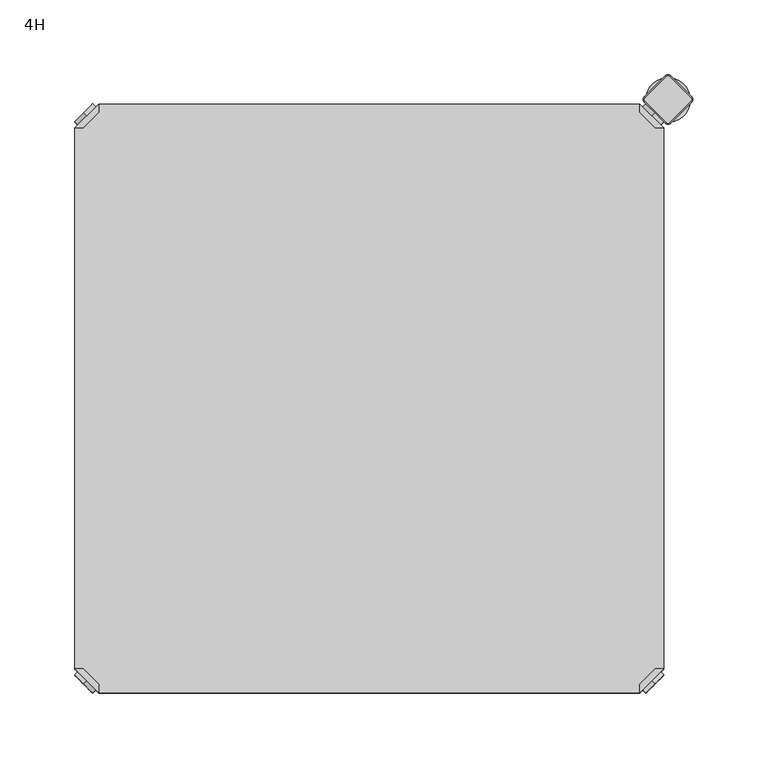
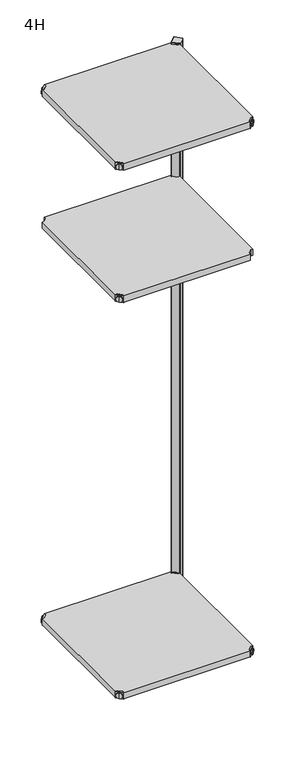
"""IFC4 building model written with IfcOpenShell, lengths in millimetres: furniture geometry, 4H."""

from ifc_helpers import new_model, si_unit, point, frame, frame_2d, origin, place, context, project, spatial, polyline, circle_curve, trimmed, segment, composite_curve, outline, extrude, source, transform, mapped, element, save
from ifc_brep_helpers import plane_surface, cylinder_surface, revolved_surface, advanced_brep


def furniture_4h_f2351c43(model_context):
    return source(origin(), model_context, "Body", "SolidModel", [
        advanced_brep(
        [(10.9601551, 10.9601551, 1298.5), (10.9601551, 10.9601551, 1307.0), (10.9601551, 10.9601551, 1315.5), (8.8388348, 8.8388348, 1298.5), (8.8388348, 8.8388348, 1315.5), (8.8388348, 8.8388348, 1307.0)],
        [
            (0, 1),
            (1, 2),
            (2, 0, circle_curve(frame((10.9601551, 10.9601551, 1307.0), z_axis=(0.7071067811865464, 0.7071067811865487, 0.0), x_axis=(0.0, 0.0, 1.0)), 8.5)),
            (0, 2, circle_curve(frame((10.9601551, 10.9601551, 1307.0), z_axis=(0.7071067811865464, 0.7071067811865487, 0.0), x_axis=(0.0, 0.0, 1.0)), 8.5)),
            (3, 0),
            (2, 4),
            (4, 3, circle_curve(frame((8.8388348, 8.8388348, 1307.0), z_axis=(0.7071067811865464, 0.7071067811865487, 0.0), x_axis=(0.0, 0.0, 1.0)), 8.5)),
            (3, 4, circle_curve(frame((8.8388348, 8.8388348, 1307.0), z_axis=(0.7071067811865464, 0.7071067811865487, 0.0), x_axis=(0.0, 0.0, 1.0)), 8.5)),
            (5, 3),
            (4, 5),
        ],
        [
            plane_surface(frame((10.9601551, 10.9601551, 1307.0), z_axis=(0.707106781186546, 0.7071067811865491, 0.0), x_axis=(0.0, 0.0, 1.0))),
            cylinder_surface(frame((8.8388348, 8.8388348, 1307.0), z_axis=(-0.7071067811865464, -0.7071067811865487, 0.0), x_axis=(0.0, 0.0, 1.0)), 8.5),
            plane_surface(frame((8.8388348, 8.8388348, 1307.0), z_axis=(-0.707106781186546, -0.7071067811865491, 0.0), x_axis=(0.0, 0.0, 1.0))),
        ],
        [
            (0, [[1, 2, 3]]),
            (0, [[-2, -1, 4]]),
            (1, [[5, -3, 6, 7]]),
            (1, [[-6, -4, -5, 8]]),
            (2, [[9, -7, 10]]),
            (2, [[-10, -8, -9]]),
        ],
    ),
        advanced_brep(
        [(18.9203102, 3.0, 1317.0), (18.9203102, 8.6568542, 1317.0), (8.6568542, 18.9203102, 1317.0), (3.0, 18.9203102, 1317.0), (3.0, 18.9203102, 1298.0), (3.0, 18.9203102, 1297.0), (18.9203102, 3.0, 1297.0), (18.9203102, 3.0, 1298.0), (18.9203102, 8.6568542, 1298.0), (8.6568542, 18.9203102, 1298.0), (47.7297077, 31.8093975, 1298.0), (31.8093975, 47.7297077, 1298.0), (31.8093975, 47.7297077, 1297.0), (47.7297077, 31.8093975, 1297.0)],
        [
            (0, 1),
            (1, 2),
            (2, 3),
            (3, 0),
            (3, 4),
            (4, 5),
            (5, 6),
            (6, 7),
            (7, 0),
            (1, 8),
            (8, 9),
            (9, 2),
            (7, 8),
            (9, 4),
            (7, 10),
            (10, 11, circle_curve(frame((39.7695526, 39.7695526, 1298.0), z_axis=(0.0, 0.0, 1.0), x_axis=(1.0, 0.0, 0.0)), 11.2573593)),
            (11, 4),
            (5, 12),
            (12, 13, circle_curve(frame((39.7695526, 39.7695526, 1297.0), z_axis=(0.0, 0.0, -1.0), x_axis=(1.0, 0.0, 0.0)), 11.2573593)),
            (13, 6),
            (11, 12),
            (10, 13),
        ],
        [
            plane_surface(frame((-38.8756299, 60.7959401, 1317.0), z_axis=(0.0, 0.0, 1.0000000000000002), x_axis=(-0.7071067811865557, 0.7071067811865395, 0.0))),
            plane_surface(frame((18.9203102, 3.0, 1317.0), z_axis=(-0.7071067811865395, -0.7071067811865557, 0.0), x_axis=(0.0, 0.0, -1.0))),
            plane_surface(frame((8.6568542, 18.9203102, 1317.0), z_axis=(0.7071067811865481, 0.7071067811865469, 0.0), x_axis=(0.0, 0.0, -1.0))),
            plane_surface(frame((18.9203102, 8.6568542, 1317.0), z_axis=(1.0, 0.0, 0.0), x_axis=(0.0, 0.0, -1.0))),
            plane_surface(frame((3.0, 18.9203102, 1317.0), z_axis=(0.0, 1.0, 0.0), x_axis=(0.0, 0.0, -1.0))),
            plane_surface(frame((3.0, 18.9203102, 1298.0), z_axis=(0.0, 0.0, 1.0), x_axis=(-0.7071067811865485, 0.7071067811865466, 0.0))),
            plane_surface(frame((3.0, 18.9203102, 1297.0), z_axis=(0.0, 0.0, -1.0), x_axis=(0.7071067811865485, -0.7071067811865466, 0.0))),
            plane_surface(frame((3.0, 18.9203102, 1298.0), z_axis=(-0.7071067811865491, 0.707106781186546, 0.0), x_axis=(0.0, 0.0, -1.0))),
            cylinder_surface(frame((39.7695526, 39.7695526, 1297.0), z_axis=(0.0, 0.0, 1.0), x_axis=(1.0, 0.0, 0.0)), 11.2573593),
            plane_surface(frame((47.7297077, 31.8093975, 1298.0), z_axis=(0.707106781186548, -0.7071067811865471, 0.0), x_axis=(0.0, 0.0, -1.0))),
        ],
        [
            (0, [[1, 2, 3, 4]]),
            (1, [[5, 6, 7, 8, 9, -4]]),
            (2, [[10, 11, 12, -2]]),
            (3, [[-9, 13, -10, -1]]),
            (4, [[-12, 14, -5, -3]]),
            (5, [[-14, -11, -13, 15, 16, 17]]),
            (6, [[-7, 18, 19, 20]]),
            (7, [[21, -18, -6, -17]]),
            (8, [[22, -19, -21, -16]]),
            (9, [[-8, -20, -22, -15]]),
        ],
    ),
        extrude(outline(polyline([(381.0796898, 3.0), (18.9203102, 3.0), (18.9203102, 8.6568542), (8.6568542, 18.9203102), (3.0, 18.9203102), (3.0, 381.0796898), (8.6568542, 381.0796898), (18.9203102, 391.3431458), (18.9203102, 397.0), (381.0796898, 397.0), (381.0796898, 391.3431458), (391.3431458, 381.0796898), (397.0, 381.0796898), (397.0, 18.9203102), (391.3431458, 18.9203102), (381.0796898, 8.6568542), (381.0796898, 3.0)])), frame((0.0, 0.0, 1298.0), z_axis=(0.0, 0.0, 1.0), x_axis=(1.0, 0.0, 0.0)), (0.0, 0.0, 1.0), 19.0),
        advanced_brep(
        [(389.0398449, 10.9601551, 1698.5), (389.0398449, 10.9601551, 1715.5), (389.0398449, 10.9601551, 1707.0), (391.1611652, 8.8388348, 1698.5), (391.1611652, 8.8388348, 1715.5), (391.1611652, 8.8388348, 1707.0)],
        [
            (0, 1, circle_curve(frame((389.0398449, 10.9601551, 1707.0), z_axis=(-0.7071067811865556, 0.7071067811865395, 0.0), x_axis=(0.0, 0.0, 1.0)), 8.5)),
            (1, 2),
            (2, 0),
            (1, 0, circle_curve(frame((389.0398449, 10.9601551, 1707.0), z_axis=(-0.7071067811865556, 0.7071067811865395, 0.0), x_axis=(0.0, 0.0, 1.0)), 8.5)),
            (3, 4, circle_curve(frame((391.1611652, 8.8388348, 1707.0), z_axis=(-0.7071067811865556, 0.7071067811865395, 0.0), x_axis=(0.0, 0.0, 1.0)), 8.5)),
            (4, 1),
            (0, 3),
            (4, 3, circle_curve(frame((391.1611652, 8.8388348, 1707.0), z_axis=(-0.7071067811865556, 0.7071067811865395, 0.0), x_axis=(0.0, 0.0, 1.0)), 8.5)),
            (5, 4),
            (3, 5),
        ],
        [
            plane_surface(frame((389.0398449, 10.9601551, 1707.0), z_axis=(-0.7071067811865552, 0.7071067811865399, 0.0), x_axis=(0.0, 0.0, 1.0))),
            cylinder_surface(frame((391.1611652, 8.8388348, 1707.0), z_axis=(0.7071067811865556, -0.7071067811865395, 0.0), x_axis=(0.0, 0.0, 1.0)), 8.5),
            plane_surface(frame((391.1611652, 8.8388348, 1707.0), z_axis=(0.7071067811865552, -0.7071067811865399, 0.0), x_axis=(0.0, 0.0, 1.0))),
        ],
        [
            (0, [[1, 2, 3]]),
            (0, [[4, -3, -2]]),
            (1, [[5, 6, -1, 7]]),
            (1, [[8, -7, -4, -6]]),
            (2, [[9, -5, 10]]),
            (2, [[-10, -8, -9]]),
        ],
    ),
        advanced_brep(
        [(381.0796898, 3.0, 1717.0), (397.0, 18.9203102, 1717.0), (391.3431458, 18.9203102, 1717.0), (381.0796898, 8.6568542, 1717.0), (381.0796898, 3.0, 1698.0), (381.0796898, 3.0, 1697.0), (397.0, 18.9203102, 1697.0), (397.0, 18.9203102, 1698.0), (391.3431458, 18.9203102, 1698.0), (381.0796898, 8.6568542, 1698.0), (368.1906025, 47.7297077, 1698.0), (352.2702923, 31.8093975, 1698.0), (352.2702923, 31.8093975, 1697.0), (368.1906025, 47.7297077, 1697.0)],
        [
            (0, 1),
            (1, 2),
            (2, 3),
            (3, 0),
            (0, 4),
            (4, 5),
            (5, 6),
            (6, 7),
            (7, 1),
            (2, 8),
            (8, 9),
            (9, 3),
            (9, 4),
            (7, 8),
            (7, 10),
            (10, 11, circle_curve(frame((360.2304474, 39.7695526, 1698.0), z_axis=(0.0, 0.0, 1.0), x_axis=(-1.0, 0.0, 0.0)), 11.2573593)),
            (11, 4),
            (5, 12),
            (12, 13, circle_curve(frame((360.2304474, 39.7695526, 1697.0), z_axis=(0.0, 0.0, -1.0), x_axis=(-1.0, 0.0, 0.0)), 11.2573593)),
            (13, 6),
            (13, 10),
            (12, 11),
        ],
        [
            plane_surface(frame((438.8756299, 60.7959401, 1717.0), z_axis=(0.0, 0.0, 1.0000000000000002), x_axis=(0.7071067811865465, 0.7071067811865487, 0.0))),
            plane_surface(frame((381.0796898, 3.0, 1717.0), z_axis=(0.7071067811865487, -0.7071067811865465, 0.0), x_axis=(0.0, 0.0, -1.0))),
            plane_surface(frame((391.3431458, 18.9203102, 1717.0), z_axis=(-0.7071067811865573, 0.7071067811865377, 0.0), x_axis=(0.0, 0.0, -1.0))),
            plane_surface(frame((381.0796898, 8.6568542, 1717.0), z_axis=(-1.0, 0.0, 0.0), x_axis=(0.0, 0.0, -1.0))),
            plane_surface(frame((397.0, 18.9203102, 1717.0), z_axis=(0.0, 1.0, 0.0), x_axis=(0.0, 0.0, -1.0))),
            plane_surface(frame((397.0, 18.9203102, 1698.0), z_axis=(0.0, 0.0, 1.0), x_axis=(0.7071067811865392, 0.7071067811865558, 0.0))),
            plane_surface(frame((397.0, 18.9203102, 1697.0), z_axis=(0.0, 0.0, -1.0), x_axis=(-0.7071067811865392, -0.7071067811865558, 0.0))),
            plane_surface(frame((397.0, 18.9203102, 1698.0), z_axis=(0.7071067811865399, 0.7071067811865552, 0.0), x_axis=(0.0, 0.0, -1.0))),
            cylinder_surface(frame((360.2304474, 39.7695526, 1697.0), z_axis=(0.0, 0.0, 1.0), x_axis=(-1.0, 0.0, 0.0)), 11.2573593),
            plane_surface(frame((352.2702923, 31.8093975, 1698.0), z_axis=(-0.7071067811865388, -0.7071067811865563, 0.0), x_axis=(0.0, 0.0, -1.0))),
        ],
        [
            (0, [[1, 2, 3, 4]]),
            (1, [[-1, 5, 6, 7, 8, 9]]),
            (2, [[-3, 10, 11, 12]]),
            (3, [[-4, -12, 13, -5]]),
            (4, [[-2, -9, 14, -10]]),
            (5, [[15, 16, 17, -13, -11, -14]]),
            (6, [[18, 19, 20, -7]]),
            (7, [[-15, -8, -20, 21]]),
            (8, [[-16, -21, -19, 22]]),
            (9, [[-17, -22, -18, -6]]),
        ],
    ),
        advanced_brep(
        [(389.0398449, 389.0398449, 1698.5), (389.0398449, 389.0398449, 1707.0), (389.0398449, 389.0398449, 1715.5), (391.1611652, 391.1611652, 1698.5), (391.1611652, 391.1611652, 1715.5), (391.1611652, 391.1611652, 1707.0)],
        [
            (0, 1),
            (1, 2),
            (2, 0, circle_curve(frame((389.0398449, 389.0398449, 1707.0), z_axis=(-0.7071067811865509, -0.7071067811865441, 0.0), x_axis=(0.0, 0.0, 1.0)), 8.5)),
            (0, 2, circle_curve(frame((389.0398449, 389.0398449, 1707.0), z_axis=(-0.7071067811865509, -0.7071067811865441, 0.0), x_axis=(0.0, 0.0, 1.0)), 8.5)),
            (3, 0),
            (2, 4),
            (4, 3, circle_curve(frame((391.1611652, 391.1611652, 1707.0), z_axis=(-0.7071067811865509, -0.7071067811865441, 0.0), x_axis=(0.0, 0.0, 1.0)), 8.5)),
            (3, 4, circle_curve(frame((391.1611652, 391.1611652, 1707.0), z_axis=(-0.7071067811865509, -0.7071067811865441, 0.0), x_axis=(0.0, 0.0, 1.0)), 8.5)),
            (5, 3),
            (4, 5),
        ],
        [
            plane_surface(frame((389.0398449, 389.0398449, 1707.0), z_axis=(-0.7071067811865506, -0.7071067811865446, 0.0), x_axis=(0.0, 0.0, 1.0))),
            cylinder_surface(frame((391.1611652, 391.1611652, 1707.0), z_axis=(0.7071067811865509, 0.7071067811865441, 0.0), x_axis=(0.0, 0.0, 1.0)), 8.5),
            plane_surface(frame((391.1611652, 391.1611652, 1707.0), z_axis=(0.7071067811865506, 0.7071067811865446, 0.0), x_axis=(0.0, 0.0, 1.0))),
        ],
        [
            (0, [[1, 2, 3]]),
            (0, [[-2, -1, 4]]),
            (1, [[5, -3, 6, 7]]),
            (1, [[-6, -4, -5, 8]]),
            (2, [[9, -7, 10]]),
            (2, [[-10, -8, -9]]),
        ],
    ),
        advanced_brep(
        [(381.0796898, 397.0, 1717.0), (381.0796898, 391.3431458, 1717.0), (391.3431458, 381.0796898, 1717.0), (397.0, 381.0796898, 1717.0), (397.0, 381.0796898, 1698.0), (397.0, 381.0796898, 1697.0), (381.0796898, 397.0, 1697.0), (381.0796898, 397.0, 1698.0), (381.0796898, 391.3431458, 1698.0), (391.3431458, 381.0796898, 1698.0), (352.2702923, 368.1906025, 1698.0), (368.1906025, 352.2702923, 1698.0), (368.1906025, 352.2702923, 1697.0), (352.2702923, 368.1906025, 1697.0)],
        [
            (0, 1),
            (1, 2),
            (2, 3),
            (3, 0),
            (3, 4),
            (4, 5),
            (5, 6),
            (6, 7),
            (7, 0),
            (1, 8),
            (8, 9),
            (9, 2),
            (7, 8),
            (9, 4),
            (7, 10),
            (10, 11, circle_curve(frame((360.2304474, 360.2304474, 1698.0), z_axis=(0.0, 0.0, 1.0), x_axis=(-1.0, 0.0, 0.0)), 11.2573593)),
            (11, 4),
            (5, 12),
            (12, 13, circle_curve(frame((360.2304474, 360.2304474, 1697.0), z_axis=(0.0, 0.0, -1.0), x_axis=(-1.0, 0.0, 0.0)), 11.2573593)),
            (13, 6),
            (11, 12),
            (10, 13),
        ],
        [
            plane_surface(frame((438.8756299, 339.2040599, 1717.0), z_axis=(0.0, 0.0, 1.0000000000000002), x_axis=(0.7071067811865511, -0.707106781186544, 0.0))),
            plane_surface(frame((381.0796898, 397.0, 1717.0), z_axis=(0.707106781186544, 0.7071067811865511, 0.0), x_axis=(0.0, 0.0, -1.0))),
            plane_surface(frame((391.3431458, 381.0796898, 1717.0), z_axis=(-0.7071067811865527, -0.7071067811865424, 0.0), x_axis=(0.0, 0.0, -1.0))),
            plane_surface(frame((381.0796898, 391.3431458, 1717.0), z_axis=(-1.0, 0.0, 0.0), x_axis=(0.0, 0.0, -1.0))),
            plane_surface(frame((397.0, 381.0796898, 1717.0), z_axis=(0.0, -1.0, 0.0), x_axis=(0.0, 0.0, -1.0))),
            plane_surface(frame((397.0, 381.0796898, 1698.0), z_axis=(0.0, 0.0, 1.0), x_axis=(0.7071067811865439, -0.7071067811865511, 0.0))),
            plane_surface(frame((397.0, 381.0796898, 1697.0), z_axis=(0.0, 0.0, -1.0), x_axis=(-0.7071067811865439, 0.7071067811865511, 0.0))),
            plane_surface(frame((397.0, 381.0796898, 1698.0), z_axis=(0.7071067811865446, -0.7071067811865506, 0.0), x_axis=(0.0, 0.0, -1.0))),
            cylinder_surface(frame((360.2304474, 360.2304474, 1697.0), z_axis=(0.0, 0.0, 1.0), x_axis=(-1.0, 0.0, 0.0)), 11.2573593),
            plane_surface(frame((352.2702923, 368.1906025, 1698.0), z_axis=(-0.7071067811865435, 0.7071067811865517, 0.0), x_axis=(0.0, 0.0, -1.0))),
        ],
        [
            (0, [[1, 2, 3, 4]]),
            (1, [[5, 6, 7, 8, 9, -4]]),
            (2, [[10, 11, 12, -2]]),
            (3, [[-9, 13, -10, -1]]),
            (4, [[-12, 14, -5, -3]]),
            (5, [[-14, -11, -13, 15, 16, 17]]),
            (6, [[-7, 18, 19, 20]]),
            (7, [[21, -18, -6, -17]]),
            (8, [[22, -19, -21, -16]]),
            (9, [[-8, -20, -22, -15]]),
        ],
    ),
        advanced_brep(
        [(10.9601551, 389.0398449, 1698.5), (10.9601551, 389.0398449, 1715.5), (10.9601551, 389.0398449, 1707.0), (8.8388348, 391.1611652, 1698.5), (8.8388348, 391.1611652, 1715.5), (8.8388348, 391.1611652, 1707.0)],
        [
            (0, 1, circle_curve(frame((10.9601551, 389.0398449, 1707.0), z_axis=(0.7071067811865509, -0.7071067811865441, 0.0), x_axis=(0.0, 0.0, 1.0)), 8.5)),
            (1, 2),
            (2, 0),
            (1, 0, circle_curve(frame((10.9601551, 389.0398449, 1707.0), z_axis=(0.7071067811865509, -0.7071067811865441, 0.0), x_axis=(0.0, 0.0, 1.0)), 8.5)),
            (3, 4, circle_curve(frame((8.8388348, 391.1611652, 1707.0), z_axis=(0.7071067811865509, -0.7071067811865441, 0.0), x_axis=(0.0, 0.0, 1.0)), 8.5)),
            (4, 1),
            (0, 3),
            (4, 3, circle_curve(frame((8.8388348, 391.1611652, 1707.0), z_axis=(0.7071067811865509, -0.7071067811865441, 0.0), x_axis=(0.0, 0.0, 1.0)), 8.5)),
            (5, 4),
            (3, 5),
        ],
        [
            plane_surface(frame((10.9601551, 389.0398449, 1707.0), z_axis=(0.7071067811865506, -0.7071067811865446, 0.0), x_axis=(0.0, 0.0, 1.0))),
            cylinder_surface(frame((8.8388348, 391.1611652, 1707.0), z_axis=(-0.7071067811865509, 0.7071067811865441, 0.0), x_axis=(0.0, 0.0, 1.0)), 8.5),
            plane_surface(frame((8.8388348, 391.1611652, 1707.0), z_axis=(-0.7071067811865506, 0.7071067811865446, 0.0), x_axis=(0.0, 0.0, 1.0))),
        ],
        [
            (0, [[1, 2, 3]]),
            (0, [[4, -3, -2]]),
            (1, [[5, 6, -1, 7]]),
            (1, [[8, -7, -4, -6]]),
            (2, [[9, -5, 10]]),
            (2, [[-10, -8, -9]]),
        ],
    ),
        advanced_brep(
        [(18.9203102, 397.0, 1717.0), (3.0, 381.0796898, 1717.0), (8.6568542, 381.0796898, 1717.0), (18.9203102, 391.3431458, 1717.0), (18.9203102, 397.0, 1698.0), (18.9203102, 397.0, 1697.0), (3.0, 381.0796898, 1697.0), (3.0, 381.0796898, 1698.0), (8.6568542, 381.0796898, 1698.0), (18.9203102, 391.3431458, 1698.0), (31.8093975, 352.2702923, 1698.0), (47.7297077, 368.1906025, 1698.0), (47.7297077, 368.1906025, 1697.0), (31.8093975, 352.2702923, 1697.0)],
        [
            (0, 1),
            (1, 2),
            (2, 3),
            (3, 0),
            (0, 4),
            (4, 5),
            (5, 6),
            (6, 7),
            (7, 1),
            (2, 8),
            (8, 9),
            (9, 3),
            (9, 4),
            (7, 8),
            (7, 10),
            (10, 11, circle_curve(frame((39.7695526, 360.2304474, 1698.0), z_axis=(0.0, 0.0, 1.0), x_axis=(1.0, 0.0, 0.0)), 11.2573593)),
            (11, 4),
            (5, 12),
            (12, 13, circle_curve(frame((39.7695526, 360.2304474, 1697.0), z_axis=(0.0, 0.0, -1.0), x_axis=(1.0, 0.0, 0.0)), 11.2573593)),
            (13, 6),
            (13, 10),
            (12, 11),
        ],
        [
            plane_surface(frame((-38.8756299, 339.2040599, 1717.0), z_axis=(0.0, 0.0, 1.0000000000000002), x_axis=(-0.7071067811865511, -0.707106781186544, 0.0))),
            plane_surface(frame((18.9203102, 397.0, 1717.0), z_axis=(-0.707106781186544, 0.7071067811865511, 0.0), x_axis=(0.0, 0.0, -1.0))),
            plane_surface(frame((8.6568542, 381.0796898, 1717.0), z_axis=(0.7071067811865527, -0.7071067811865424, 0.0), x_axis=(0.0, 0.0, -1.0))),
            plane_surface(frame((18.9203102, 391.3431458, 1717.0), z_axis=(1.0, 0.0, 0.0), x_axis=(0.0, 0.0, -1.0))),
            plane_surface(frame((3.0, 381.0796898, 1717.0), z_axis=(0.0, -1.0, 0.0), x_axis=(0.0, 0.0, -1.0))),
            plane_surface(frame((3.0, 381.0796898, 1698.0), z_axis=(0.0, 0.0, 1.0), x_axis=(-0.7071067811865439, -0.7071067811865511, 0.0))),
            plane_surface(frame((3.0, 381.0796898, 1697.0), z_axis=(0.0, 0.0, -1.0), x_axis=(0.7071067811865439, 0.7071067811865511, 0.0))),
            plane_surface(frame((3.0, 381.0796898, 1698.0), z_axis=(-0.7071067811865446, -0.7071067811865506, 0.0), x_axis=(0.0, 0.0, -1.0))),
            cylinder_surface(frame((39.7695526, 360.2304474, 1697.0), z_axis=(0.0, 0.0, 1.0), x_axis=(1.0, 0.0, 0.0)), 11.2573593),
            plane_surface(frame((47.7297077, 368.1906025, 1698.0), z_axis=(0.7071067811865435, 0.7071067811865517, 0.0), x_axis=(0.0, 0.0, -1.0))),
        ],
        [
            (0, [[1, 2, 3, 4]]),
            (1, [[-1, 5, 6, 7, 8, 9]]),
            (2, [[-3, 10, 11, 12]]),
            (3, [[-4, -12, 13, -5]]),
            (4, [[-2, -9, 14, -10]]),
            (5, [[15, 16, 17, -13, -11, -14]]),
            (6, [[18, 19, 20, -7]]),
            (7, [[-15, -8, -20, 21]]),
            (8, [[-16, -21, -19, 22]]),
            (9, [[-17, -22, -18, -6]]),
        ],
    ),
        advanced_brep(
        [(10.9601551, 10.9601551, 1698.5), (10.9601551, 10.9601551, 1707.0), (10.9601551, 10.9601551, 1715.5), (8.8388348, 8.8388348, 1698.5), (8.8388348, 8.8388348, 1715.5), (8.8388348, 8.8388348, 1707.0)],
        [
            (0, 1),
            (1, 2),
            (2, 0, circle_curve(frame((10.9601551, 10.9601551, 1707.0), z_axis=(0.7071067811865464, 0.7071067811865487, 0.0), x_axis=(0.0, 0.0, 1.0)), 8.5)),
            (0, 2, circle_curve(frame((10.9601551, 10.9601551, 1707.0), z_axis=(0.7071067811865464, 0.7071067811865487, 0.0), x_axis=(0.0, 0.0, 1.0)), 8.5)),
            (3, 0),
            (2, 4),
            (4, 3, circle_curve(frame((8.8388348, 8.8388348, 1707.0), z_axis=(0.7071067811865464, 0.7071067811865487, 0.0), x_axis=(0.0, 0.0, 1.0)), 8.5)),
            (3, 4, circle_curve(frame((8.8388348, 8.8388348, 1707.0), z_axis=(0.7071067811865464, 0.7071067811865487, 0.0), x_axis=(0.0, 0.0, 1.0)), 8.5)),
            (5, 3),
            (4, 5),
        ],
        [
            plane_surface(frame((10.9601551, 10.9601551, 1707.0), z_axis=(0.707106781186546, 0.7071067811865491, 0.0), x_axis=(0.0, 0.0, 1.0))),
            cylinder_surface(frame((8.8388348, 8.8388348, 1707.0), z_axis=(-0.7071067811865464, -0.7071067811865487, 0.0), x_axis=(0.0, 0.0, 1.0)), 8.5),
            plane_surface(frame((8.8388348, 8.8388348, 1707.0), z_axis=(-0.707106781186546, -0.7071067811865491, 0.0), x_axis=(0.0, 0.0, 1.0))),
        ],
        [
            (0, [[1, 2, 3]]),
            (0, [[-2, -1, 4]]),
            (1, [[5, -3, 6, 7]]),
            (1, [[-6, -4, -5, 8]]),
            (2, [[9, -7, 10]]),
            (2, [[-10, -8, -9]]),
        ],
    ),
        advanced_brep(
        [(18.9203102, 3.0, 1717.0), (18.9203102, 8.6568542, 1717.0), (8.6568542, 18.9203102, 1717.0), (3.0, 18.9203102, 1717.0), (3.0, 18.9203102, 1698.0), (3.0, 18.9203102, 1697.0), (18.9203102, 3.0, 1697.0), (18.9203102, 3.0, 1698.0), (18.9203102, 8.6568542, 1698.0), (8.6568542, 18.9203102, 1698.0), (47.7297077, 31.8093975, 1698.0), (31.8093975, 47.7297077, 1698.0), (31.8093975, 47.7297077, 1697.0), (47.7297077, 31.8093975, 1697.0)],
        [
            (0, 1),
            (1, 2),
            (2, 3),
            (3, 0),
            (3, 4),
            (4, 5),
            (5, 6),
            (6, 7),
            (7, 0),
            (1, 8),
            (8, 9),
            (9, 2),
            (7, 8),
            (9, 4),
            (7, 10),
            (10, 11, circle_curve(frame((39.7695526, 39.7695526, 1698.0), z_axis=(0.0, 0.0, 1.0), x_axis=(1.0, 0.0, 0.0)), 11.2573593)),
            (11, 4),
            (5, 12),
            (12, 13, circle_curve(frame((39.7695526, 39.7695526, 1697.0), z_axis=(0.0, 0.0, -1.0), x_axis=(1.0, 0.0, 0.0)), 11.2573593)),
            (13, 6),
            (11, 12),
            (10, 13),
        ],
        [
            plane_surface(frame((-38.8756299, 60.7959401, 1717.0), z_axis=(0.0, 0.0, 1.0000000000000002), x_axis=(-0.7071067811865557, 0.7071067811865395, 0.0))),
            plane_surface(frame((18.9203102, 3.0, 1717.0), z_axis=(-0.7071067811865395, -0.7071067811865557, 0.0), x_axis=(0.0, 0.0, -1.0))),
            plane_surface(frame((8.6568542, 18.9203102, 1717.0), z_axis=(0.7071067811865481, 0.7071067811865469, 0.0), x_axis=(0.0, 0.0, -1.0))),
            plane_surface(frame((18.9203102, 8.6568542, 1717.0), z_axis=(1.0, 0.0, 0.0), x_axis=(0.0, 0.0, -1.0))),
            plane_surface(frame((3.0, 18.9203102, 1717.0), z_axis=(0.0, 1.0, 0.0), x_axis=(0.0, 0.0, -1.0))),
            plane_surface(frame((3.0, 18.9203102, 1698.0), z_axis=(0.0, 0.0, 1.0), x_axis=(-0.7071067811865485, 0.7071067811865466, 0.0))),
            plane_surface(frame((3.0, 18.9203102, 1697.0), z_axis=(0.0, 0.0, -1.0), x_axis=(0.7071067811865485, -0.7071067811865466, 0.0))),
            plane_surface(frame((3.0, 18.9203102, 1698.0), z_axis=(-0.7071067811865491, 0.707106781186546, 0.0), x_axis=(0.0, 0.0, -1.0))),
            cylinder_surface(frame((39.7695526, 39.7695526, 1697.0), z_axis=(0.0, 0.0, 1.0), x_axis=(1.0, 0.0, 0.0)), 11.2573593),
            plane_surface(frame((47.7297077, 31.8093975, 1698.0), z_axis=(0.707106781186548, -0.7071067811865471, 0.0), x_axis=(0.0, 0.0, -1.0))),
        ],
        [
            (0, [[1, 2, 3, 4]]),
            (1, [[5, 6, 7, 8, 9, -4]]),
            (2, [[10, 11, 12, -2]]),
            (3, [[-9, 13, -10, -1]]),
            (4, [[-12, 14, -5, -3]]),
            (5, [[-14, -11, -13, 15, 16, 17]]),
            (6, [[-7, 18, 19, 20]]),
            (7, [[21, -18, -6, -17]]),
            (8, [[22, -19, -21, -16]]),
            (9, [[-8, -20, -22, -15]]),
        ],
    ),
        extrude(outline(polyline([(381.0796898, 3.0), (18.9203102, 3.0), (18.9203102, 8.6568542), (8.6568542, 18.9203102), (3.0, 18.9203102), (3.0, 381.0796898), (8.6568542, 381.0796898), (18.9203102, 391.3431458), (18.9203102, 397.0), (381.0796898, 397.0), (381.0796898, 391.3431458), (391.3431458, 381.0796898), (397.0, 381.0796898), (397.0, 18.9203102), (391.3431458, 18.9203102), (381.0796898, 8.6568542), (381.0796898, 3.0)])), frame((0.0, 0.0, 1698.0), z_axis=(0.0, 0.0, 1.0), x_axis=(1.0, 0.0, 0.0)), (0.0, 0.0, 1.0), 19.0),
        advanced_brep(
        [(389.0398449, 10.9601551, 98.5), (389.0398449, 10.9601551, 115.5), (389.0398449, 10.9601551, 107.0), (391.1611652, 8.8388348, 98.5), (391.1611652, 8.8388348, 115.5), (391.1611652, 8.8388348, 107.0)],
        [
            (0, 1, circle_curve(frame((389.0398449, 10.9601551, 107.0), z_axis=(-0.7071067811865556, 0.7071067811865395, 0.0), x_axis=(0.0, 0.0, 1.0)), 8.5)),
            (1, 2),
            (2, 0),
            (1, 0, circle_curve(frame((389.0398449, 10.9601551, 107.0), z_axis=(-0.7071067811865556, 0.7071067811865395, 0.0), x_axis=(0.0, 0.0, 1.0)), 8.5)),
            (3, 4, circle_curve(frame((391.1611652, 8.8388348, 107.0), z_axis=(-0.7071067811865556, 0.7071067811865395, 0.0), x_axis=(0.0, 0.0, 1.0)), 8.5)),
            (4, 1),
            (0, 3),
            (4, 3, circle_curve(frame((391.1611652, 8.8388348, 107.0), z_axis=(-0.7071067811865556, 0.7071067811865395, 0.0), x_axis=(0.0, 0.0, 1.0)), 8.5)),
            (5, 4),
            (3, 5),
        ],
        [
            plane_surface(frame((389.0398449, 10.9601551, 107.0), z_axis=(-0.7071067811865552, 0.7071067811865399, 0.0), x_axis=(0.0, 0.0, 1.0))),
            cylinder_surface(frame((391.1611652, 8.8388348, 107.0), z_axis=(0.7071067811865556, -0.7071067811865395, 0.0), x_axis=(0.0, 0.0, 1.0)), 8.5),
            plane_surface(frame((391.1611652, 8.8388348, 107.0), z_axis=(0.7071067811865552, -0.7071067811865399, 0.0), x_axis=(0.0, 0.0, 1.0))),
        ],
        [
            (0, [[1, 2, 3]]),
            (0, [[4, -3, -2]]),
            (1, [[5, 6, -1, 7]]),
            (1, [[8, -7, -4, -6]]),
            (2, [[9, -5, 10]]),
            (2, [[-10, -8, -9]]),
        ],
    ),
        advanced_brep(
        [(381.0796898, 3.0, 117.0), (397.0, 18.9203102, 117.0), (391.3431458, 18.9203102, 117.0), (381.0796898, 8.6568542, 117.0), (381.0796898, 3.0, 98.0), (381.0796898, 3.0, 97.0), (397.0, 18.9203102, 97.0), (397.0, 18.9203102, 98.0), (391.3431458, 18.9203102, 98.0), (381.0796898, 8.6568542, 98.0), (368.1906025, 47.7297077, 98.0), (352.2702923, 31.8093975, 98.0), (352.2702923, 31.8093975, 97.0), (368.1906025, 47.7297077, 97.0)],
        [
            (0, 1),
            (1, 2),
            (2, 3),
            (3, 0),
            (0, 4),
            (4, 5),
            (5, 6),
            (6, 7),
            (7, 1),
            (2, 8),
            (8, 9),
            (9, 3),
            (9, 4),
            (7, 8),
            (7, 10),
            (10, 11, circle_curve(frame((360.2304474, 39.7695526, 98.0), z_axis=(0.0, 0.0, 1.0), x_axis=(-1.0, 0.0, 0.0)), 11.2573593)),
            (11, 4),
            (5, 12),
            (12, 13, circle_curve(frame((360.2304474, 39.7695526, 97.0), z_axis=(0.0, 0.0, -1.0), x_axis=(-1.0, 0.0, 0.0)), 11.2573593)),
            (13, 6),
            (13, 10),
            (12, 11),
        ],
        [
            plane_surface(frame((438.8756299, 60.7959401, 117.0), z_axis=(0.0, 0.0, 1.0000000000000002), x_axis=(0.7071067811865465, 0.7071067811865487, 0.0))),
            plane_surface(frame((381.0796898, 3.0, 117.0), z_axis=(0.7071067811865487, -0.7071067811865465, 0.0), x_axis=(0.0, 0.0, -1.0))),
            plane_surface(frame((391.3431458, 18.9203102, 117.0), z_axis=(-0.7071067811865573, 0.7071067811865377, 0.0), x_axis=(0.0, 0.0, -1.0))),
            plane_surface(frame((381.0796898, 8.6568542, 117.0), z_axis=(-1.0, 0.0, 0.0), x_axis=(0.0, 0.0, -1.0))),
            plane_surface(frame((397.0, 18.9203102, 117.0), z_axis=(0.0, 1.0, 0.0), x_axis=(0.0, 0.0, -1.0))),
            plane_surface(frame((397.0, 18.9203102, 98.0), z_axis=(0.0, 0.0, 1.0), x_axis=(0.7071067811865392, 0.7071067811865558, 0.0))),
            plane_surface(frame((397.0, 18.9203102, 97.0), z_axis=(0.0, 0.0, -1.0), x_axis=(-0.7071067811865392, -0.7071067811865558, 0.0))),
            plane_surface(frame((397.0, 18.9203102, 98.0), z_axis=(0.7071067811865399, 0.7071067811865552, 0.0), x_axis=(0.0, 0.0, -1.0))),
            cylinder_surface(frame((360.2304474, 39.7695526, 97.0), z_axis=(0.0, 0.0, 1.0), x_axis=(-1.0, 0.0, 0.0)), 11.2573593),
            plane_surface(frame((352.2702923, 31.8093975, 98.0), z_axis=(-0.7071067811865388, -0.7071067811865563, 0.0), x_axis=(0.0, 0.0, -1.0))),
        ],
        [
            (0, [[1, 2, 3, 4]]),
            (1, [[-1, 5, 6, 7, 8, 9]]),
            (2, [[-3, 10, 11, 12]]),
            (3, [[-4, -12, 13, -5]]),
            (4, [[-2, -9, 14, -10]]),
            (5, [[15, 16, 17, -13, -11, -14]]),
            (6, [[18, 19, 20, -7]]),
            (7, [[-15, -8, -20, 21]]),
            (8, [[-16, -21, -19, 22]]),
            (9, [[-17, -22, -18, -6]]),
        ],
    ),
        advanced_brep(
        [(389.0398449, 389.0398449, 98.5), (389.0398449, 389.0398449, 107.0), (389.0398449, 389.0398449, 115.5), (391.1611652, 391.1611652, 98.5), (391.1611652, 391.1611652, 115.5), (391.1611652, 391.1611652, 107.0)],
        [
            (0, 1),
            (1, 2),
            (2, 0, circle_curve(frame((389.0398449, 389.0398449, 107.0), z_axis=(-0.7071067811865509, -0.7071067811865441, 0.0), x_axis=(0.0, 0.0, 1.0)), 8.5)),
            (0, 2, circle_curve(frame((389.0398449, 389.0398449, 107.0), z_axis=(-0.7071067811865509, -0.7071067811865441, 0.0), x_axis=(0.0, 0.0, 1.0)), 8.5)),
            (3, 0),
            (2, 4),
            (4, 3, circle_curve(frame((391.1611652, 391.1611652, 107.0), z_axis=(-0.7071067811865509, -0.7071067811865441, 0.0), x_axis=(0.0, 0.0, 1.0)), 8.5)),
            (3, 4, circle_curve(frame((391.1611652, 391.1611652, 107.0), z_axis=(-0.7071067811865509, -0.7071067811865441, 0.0), x_axis=(0.0, 0.0, 1.0)), 8.5)),
            (5, 3),
            (4, 5),
        ],
        [
            plane_surface(frame((389.0398449, 389.0398449, 107.0), z_axis=(-0.7071067811865506, -0.7071067811865446, 0.0), x_axis=(0.0, 0.0, 1.0))),
            cylinder_surface(frame((391.1611652, 391.1611652, 107.0), z_axis=(0.7071067811865509, 0.7071067811865441, 0.0), x_axis=(0.0, 0.0, 1.0)), 8.5),
            plane_surface(frame((391.1611652, 391.1611652, 107.0), z_axis=(0.7071067811865506, 0.7071067811865446, 0.0), x_axis=(0.0, 0.0, 1.0))),
        ],
        [
            (0, [[1, 2, 3]]),
            (0, [[-2, -1, 4]]),
            (1, [[5, -3, 6, 7]]),
            (1, [[-6, -4, -5, 8]]),
            (2, [[9, -7, 10]]),
            (2, [[-10, -8, -9]]),
        ],
    ),
        advanced_brep(
        [(381.0796898, 397.0, 117.0), (381.0796898, 391.3431458, 117.0), (391.3431458, 381.0796898, 117.0), (397.0, 381.0796898, 117.0), (397.0, 381.0796898, 98.0), (397.0, 381.0796898, 97.0), (381.0796898, 397.0, 97.0), (381.0796898, 397.0, 98.0), (381.0796898, 391.3431458, 98.0), (391.3431458, 381.0796898, 98.0), (352.2702923, 368.1906025, 98.0), (368.1906025, 352.2702923, 98.0), (368.1906025, 352.2702923, 97.0), (352.2702923, 368.1906025, 97.0)],
        [
            (0, 1),
            (1, 2),
            (2, 3),
            (3, 0),
            (3, 4),
            (4, 5),
            (5, 6),
            (6, 7),
            (7, 0),
            (1, 8),
            (8, 9),
            (9, 2),
            (7, 8),
            (9, 4),
            (7, 10),
            (10, 11, circle_curve(frame((360.2304474, 360.2304474, 98.0), z_axis=(0.0, 0.0, 1.0), x_axis=(-1.0, 0.0, 0.0)), 11.2573593)),
            (11, 4),
            (5, 12),
            (12, 13, circle_curve(frame((360.2304474, 360.2304474, 97.0), z_axis=(0.0, 0.0, -1.0), x_axis=(-1.0, 0.0, 0.0)), 11.2573593)),
            (13, 6),
            (11, 12),
            (10, 13),
        ],
        [
            plane_surface(frame((438.8756299, 339.2040599, 117.0), z_axis=(0.0, 0.0, 1.0000000000000002), x_axis=(0.7071067811865511, -0.707106781186544, 0.0))),
            plane_surface(frame((381.0796898, 397.0, 117.0), z_axis=(0.707106781186544, 0.7071067811865511, 0.0), x_axis=(0.0, 0.0, -1.0))),
            plane_surface(frame((391.3431458, 381.0796898, 117.0), z_axis=(-0.7071067811865527, -0.7071067811865424, 0.0), x_axis=(0.0, 0.0, -1.0))),
            plane_surface(frame((381.0796898, 391.3431458, 117.0), z_axis=(-1.0, 0.0, 0.0), x_axis=(0.0, 0.0, -1.0))),
            plane_surface(frame((397.0, 381.0796898, 117.0), z_axis=(0.0, -1.0, 0.0), x_axis=(0.0, 0.0, -1.0))),
            plane_surface(frame((397.0, 381.0796898, 98.0), z_axis=(0.0, 0.0, 1.0), x_axis=(0.7071067811865439, -0.7071067811865511, 0.0))),
            plane_surface(frame((397.0, 381.0796898, 97.0), z_axis=(0.0, 0.0, -1.0), x_axis=(-0.7071067811865439, 0.7071067811865511, 0.0))),
            plane_surface(frame((397.0, 381.0796898, 98.0), z_axis=(0.7071067811865446, -0.7071067811865506, 0.0), x_axis=(0.0, 0.0, -1.0))),
            cylinder_surface(frame((360.2304474, 360.2304474, 97.0), z_axis=(0.0, 0.0, 1.0), x_axis=(-1.0, 0.0, 0.0)), 11.2573593),
            plane_surface(frame((352.2702923, 368.1906025, 98.0), z_axis=(-0.7071067811865435, 0.7071067811865517, 0.0), x_axis=(0.0, 0.0, -1.0))),
        ],
        [
            (0, [[1, 2, 3, 4]]),
            (1, [[5, 6, 7, 8, 9, -4]]),
            (2, [[10, 11, 12, -2]]),
            (3, [[-9, 13, -10, -1]]),
            (4, [[-12, 14, -5, -3]]),
            (5, [[-14, -11, -13, 15, 16, 17]]),
            (6, [[-7, 18, 19, 20]]),
            (7, [[21, -18, -6, -17]]),
            (8, [[22, -19, -21, -16]]),
            (9, [[-8, -20, -22, -15]]),
        ],
    ),
        advanced_brep(
        [(10.9601551, 389.0398449, 98.5), (10.9601551, 389.0398449, 115.5), (10.9601551, 389.0398449, 107.0), (8.8388348, 391.1611652, 98.5), (8.8388348, 391.1611652, 115.5), (8.8388348, 391.1611652, 107.0)],
        [
            (0, 1, circle_curve(frame((10.9601551, 389.0398449, 107.0), z_axis=(0.7071067811865509, -0.7071067811865441, 0.0), x_axis=(0.0, 0.0, 1.0)), 8.5)),
            (1, 2),
            (2, 0),
            (1, 0, circle_curve(frame((10.9601551, 389.0398449, 107.0), z_axis=(0.7071067811865509, -0.7071067811865441, 0.0), x_axis=(0.0, 0.0, 1.0)), 8.5)),
            (3, 4, circle_curve(frame((8.8388348, 391.1611652, 107.0), z_axis=(0.7071067811865509, -0.7071067811865441, 0.0), x_axis=(0.0, 0.0, 1.0)), 8.5)),
            (4, 1),
            (0, 3),
            (4, 3, circle_curve(frame((8.8388348, 391.1611652, 107.0), z_axis=(0.7071067811865509, -0.7071067811865441, 0.0), x_axis=(0.0, 0.0, 1.0)), 8.5)),
            (5, 4),
            (3, 5),
        ],
        [
            plane_surface(frame((10.9601551, 389.0398449, 107.0), z_axis=(0.7071067811865506, -0.7071067811865446, 0.0), x_axis=(0.0, 0.0, 1.0))),
            cylinder_surface(frame((8.8388348, 391.1611652, 107.0), z_axis=(-0.7071067811865509, 0.7071067811865441, 0.0), x_axis=(0.0, 0.0, 1.0)), 8.5),
            plane_surface(frame((8.8388348, 391.1611652, 107.0), z_axis=(-0.7071067811865506, 0.7071067811865446, 0.0), x_axis=(0.0, 0.0, 1.0))),
        ],
        [
            (0, [[1, 2, 3]]),
            (0, [[4, -3, -2]]),
            (1, [[5, 6, -1, 7]]),
            (1, [[8, -7, -4, -6]]),
            (2, [[9, -5, 10]]),
            (2, [[-10, -8, -9]]),
        ],
    ),
        advanced_brep(
        [(18.9203102, 397.0, 117.0), (3.0, 381.0796898, 117.0), (8.6568542, 381.0796898, 117.0), (18.9203102, 391.3431458, 117.0), (18.9203102, 397.0, 98.0), (18.9203102, 397.0, 97.0), (3.0, 381.0796898, 97.0), (3.0, 381.0796898, 98.0), (8.6568542, 381.0796898, 98.0), (18.9203102, 391.3431458, 98.0), (31.8093975, 352.2702923, 98.0), (47.7297077, 368.1906025, 98.0), (47.7297077, 368.1906025, 97.0), (31.8093975, 352.2702923, 97.0)],
        [
            (0, 1),
            (1, 2),
            (2, 3),
            (3, 0),
            (0, 4),
            (4, 5),
            (5, 6),
            (6, 7),
            (7, 1),
            (2, 8),
            (8, 9),
            (9, 3),
            (9, 4),
            (7, 8),
            (7, 10),
            (10, 11, circle_curve(frame((39.7695526, 360.2304474, 98.0), z_axis=(0.0, 0.0, 1.0), x_axis=(1.0, 0.0, 0.0)), 11.2573593)),
            (11, 4),
            (5, 12),
            (12, 13, circle_curve(frame((39.7695526, 360.2304474, 97.0), z_axis=(0.0, 0.0, -1.0), x_axis=(1.0, 0.0, 0.0)), 11.2573593)),
            (13, 6),
            (13, 10),
            (12, 11),
        ],
        [
            plane_surface(frame((-38.8756299, 339.2040599, 117.0), z_axis=(0.0, 0.0, 1.0000000000000002), x_axis=(-0.7071067811865511, -0.707106781186544, 0.0))),
            plane_surface(frame((18.9203102, 397.0, 117.0), z_axis=(-0.707106781186544, 0.7071067811865511, 0.0), x_axis=(0.0, 0.0, -1.0))),
            plane_surface(frame((8.6568542, 381.0796898, 117.0), z_axis=(0.7071067811865527, -0.7071067811865424, 0.0), x_axis=(0.0, 0.0, -1.0))),
            plane_surface(frame((18.9203102, 391.3431458, 117.0), z_axis=(1.0, 0.0, 0.0), x_axis=(0.0, 0.0, -1.0))),
            plane_surface(frame((3.0, 381.0796898, 117.0), z_axis=(0.0, -1.0, 0.0), x_axis=(0.0, 0.0, -1.0))),
            plane_surface(frame((3.0, 381.0796898, 98.0), z_axis=(0.0, 0.0, 1.0), x_axis=(-0.7071067811865439, -0.7071067811865511, 0.0))),
            plane_surface(frame((3.0, 381.0796898, 97.0), z_axis=(0.0, 0.0, -1.0), x_axis=(0.7071067811865439, 0.7071067811865511, 0.0))),
            plane_surface(frame((3.0, 381.0796898, 98.0), z_axis=(-0.7071067811865446, -0.7071067811865506, 0.0), x_axis=(0.0, 0.0, -1.0))),
            cylinder_surface(frame((39.7695526, 360.2304474, 97.0), z_axis=(0.0, 0.0, 1.0), x_axis=(1.0, 0.0, 0.0)), 11.2573593),
            plane_surface(frame((47.7297077, 368.1906025, 98.0), z_axis=(0.7071067811865435, 0.7071067811865517, 0.0), x_axis=(0.0, 0.0, -1.0))),
        ],
        [
            (0, [[1, 2, 3, 4]]),
            (1, [[-1, 5, 6, 7, 8, 9]]),
            (2, [[-3, 10, 11, 12]]),
            (3, [[-4, -12, 13, -5]]),
            (4, [[-2, -9, 14, -10]]),
            (5, [[15, 16, 17, -13, -11, -14]]),
            (6, [[18, 19, 20, -7]]),
            (7, [[-15, -8, -20, 21]]),
            (8, [[-16, -21, -19, 22]]),
            (9, [[-17, -22, -18, -6]]),
        ],
    ),
        advanced_brep(
        [(10.9601551, 10.9601551, 98.5), (10.9601551, 10.9601551, 107.0), (10.9601551, 10.9601551, 115.5), (8.8388348, 8.8388348, 98.5), (8.8388348, 8.8388348, 115.5), (8.8388348, 8.8388348, 107.0)],
        [
            (0, 1),
            (1, 2),
            (2, 0, circle_curve(frame((10.9601551, 10.9601551, 107.0), z_axis=(0.7071067811865464, 0.7071067811865487, 0.0), x_axis=(0.0, 0.0, 1.0)), 8.5)),
            (0, 2, circle_curve(frame((10.9601551, 10.9601551, 107.0), z_axis=(0.7071067811865464, 0.7071067811865487, 0.0), x_axis=(0.0, 0.0, 1.0)), 8.5)),
            (3, 0),
            (2, 4),
            (4, 3, circle_curve(frame((8.8388348, 8.8388348, 107.0), z_axis=(0.7071067811865464, 0.7071067811865487, 0.0), x_axis=(0.0, 0.0, 1.0)), 8.5)),
            (3, 4, circle_curve(frame((8.8388348, 8.8388348, 107.0), z_axis=(0.7071067811865464, 0.7071067811865487, 0.0), x_axis=(0.0, 0.0, 1.0)), 8.5)),
            (5, 3),
            (4, 5),
        ],
        [
            plane_surface(frame((10.9601551, 10.9601551, 107.0), z_axis=(0.707106781186546, 0.7071067811865491, 0.0), x_axis=(0.0, 0.0, 1.0))),
            cylinder_surface(frame((8.8388348, 8.8388348, 107.0), z_axis=(-0.7071067811865464, -0.7071067811865487, 0.0), x_axis=(0.0, 0.0, 1.0)), 8.5),
            plane_surface(frame((8.8388348, 8.8388348, 107.0), z_axis=(-0.707106781186546, -0.7071067811865491, 0.0), x_axis=(0.0, 0.0, 1.0))),
        ],
        [
            (0, [[1, 2, 3]]),
            (0, [[-2, -1, 4]]),
            (1, [[5, -3, 6, 7]]),
            (1, [[-6, -4, -5, 8]]),
            (2, [[9, -7, 10]]),
            (2, [[-10, -8, -9]]),
        ],
    ),
        advanced_brep(
        [(18.9203102, 3.0, 117.0), (18.9203102, 8.6568542, 117.0), (8.6568542, 18.9203102, 117.0), (3.0, 18.9203102, 117.0), (3.0, 18.9203102, 98.0), (3.0, 18.9203102, 97.0), (18.9203102, 3.0, 97.0), (18.9203102, 3.0, 98.0), (18.9203102, 8.6568542, 98.0), (8.6568542, 18.9203102, 98.0), (47.7297077, 31.8093975, 98.0), (31.8093975, 47.7297077, 98.0), (31.8093975, 47.7297077, 97.0), (47.7297077, 31.8093975, 97.0)],
        [
            (0, 1),
            (1, 2),
            (2, 3),
            (3, 0),
            (3, 4),
            (4, 5),
            (5, 6),
            (6, 7),
            (7, 0),
            (1, 8),
            (8, 9),
            (9, 2),
            (7, 8),
            (9, 4),
            (7, 10),
            (10, 11, circle_curve(frame((39.7695526, 39.7695526, 98.0), z_axis=(0.0, 0.0, 1.0), x_axis=(1.0, 0.0, 0.0)), 11.2573593)),
            (11, 4),
            (5, 12),
            (12, 13, circle_curve(frame((39.7695526, 39.7695526, 97.0), z_axis=(0.0, 0.0, -1.0), x_axis=(1.0, 0.0, 0.0)), 11.2573593)),
            (13, 6),
            (11, 12),
            (10, 13),
        ],
        [
            plane_surface(frame((-38.8756299, 60.7959401, 117.0), z_axis=(0.0, 0.0, 1.0000000000000002), x_axis=(-0.7071067811865557, 0.7071067811865395, 0.0))),
            plane_surface(frame((18.9203102, 3.0, 117.0), z_axis=(-0.7071067811865395, -0.7071067811865557, 0.0), x_axis=(0.0, 0.0, -1.0))),
            plane_surface(frame((8.6568542, 18.9203102, 117.0), z_axis=(0.7071067811865481, 0.7071067811865469, 0.0), x_axis=(0.0, 0.0, -1.0))),
            plane_surface(frame((18.9203102, 8.6568542, 117.0), z_axis=(1.0, 0.0, 0.0), x_axis=(0.0, 0.0, -1.0))),
            plane_surface(frame((3.0, 18.9203102, 117.0), z_axis=(0.0, 1.0, 0.0), x_axis=(0.0, 0.0, -1.0))),
            plane_surface(frame((3.0, 18.9203102, 98.0), z_axis=(0.0, 0.0, 1.0), x_axis=(-0.7071067811865485, 0.7071067811865466, 0.0))),
            plane_surface(frame((3.0, 18.9203102, 97.0), z_axis=(0.0, 0.0, -1.0), x_axis=(0.7071067811865485, -0.7071067811865466, 0.0))),
            plane_surface(frame((3.0, 18.9203102, 98.0), z_axis=(-0.7071067811865491, 0.707106781186546, 0.0), x_axis=(0.0, 0.0, -1.0))),
            cylinder_surface(frame((39.7695526, 39.7695526, 97.0), z_axis=(0.0, 0.0, 1.0), x_axis=(1.0, 0.0, 0.0)), 11.2573593),
            plane_surface(frame((47.7297077, 31.8093975, 98.0), z_axis=(0.707106781186548, -0.7071067811865471, 0.0), x_axis=(0.0, 0.0, -1.0))),
        ],
        [
            (0, [[1, 2, 3, 4]]),
            (1, [[5, 6, 7, 8, 9, -4]]),
            (2, [[10, 11, 12, -2]]),
            (3, [[-9, 13, -10, -1]]),
            (4, [[-12, 14, -5, -3]]),
            (5, [[-14, -11, -13, 15, 16, 17]]),
            (6, [[-7, 18, 19, 20]]),
            (7, [[21, -18, -6, -17]]),
            (8, [[22, -19, -21, -16]]),
            (9, [[-8, -20, -22, -15]]),
        ],
    ),
        extrude(outline(polyline([(381.0796898, 3.0), (18.9203102, 3.0), (18.9203102, 8.6568542), (8.6568542, 18.9203102), (3.0, 18.9203102), (3.0, 381.0796898), (8.6568542, 381.0796898), (18.9203102, 391.3431458), (18.9203102, 397.0), (381.0796898, 397.0), (381.0796898, 391.3431458), (391.3431458, 381.0796898), (397.0, 381.0796898), (397.0, 18.9203102), (391.3431458, 18.9203102), (381.0796898, 8.6568542), (381.0796898, 3.0)])), frame((0.0, 0.0, 98.0), z_axis=(0.0, 0.0, 1.0), x_axis=(1.0, 0.0, 0.0)), (0.0, 0.0, 1.0), 19.0),
        advanced_brep(
        [(385.0, 400.0, 0.0), (400.0, 400.0, 0.0), (415.0, 400.0, 0.0), (385.0, 400.0, 2.0), (415.0, 400.0, 2.0), (392.0, 400.0, 9.0), (408.0, 400.0, 9.0), (396.0, 400.0, 9.0), (404.0, 400.0, 9.0), (396.0, 400.0, 15.0), (404.0, 400.0, 15.0), (400.0, 400.0, 15.0)],
        [
            (0, 1),
            (1, 2),
            (2, 0, circle_curve(frame((400.0, 400.0, 0.0), z_axis=(0.0, 0.0, -1.0), x_axis=(1.0, 0.0, 0.0)), 15.0)),
            (0, 2, circle_curve(frame((400.0, 400.0, 0.0), z_axis=(0.0, 0.0, -1.0), x_axis=(1.0, 0.0, 0.0)), 15.0)),
            (3, 0),
            (2, 4),
            (4, 3, circle_curve(frame((400.0, 400.0, 2.0), z_axis=(0.0, 0.0, -1.0), x_axis=(1.0, 0.0, 0.0)), 15.0)),
            (3, 4, circle_curve(frame((400.0, 400.0, 2.0), z_axis=(0.0, 0.0, -1.0), x_axis=(1.0, 0.0, 0.0)), 15.0)),
            (5, 3),
            (4, 6),
            (6, 5, circle_curve(frame((400.0, 400.0, 9.0), z_axis=(0.0, 0.0, -1.0), x_axis=(1.0, 0.0, 0.0)), 8.0)),
            (5, 6, circle_curve(frame((400.0, 400.0, 9.0), z_axis=(0.0, 0.0, -1.0), x_axis=(1.0, 0.0, 0.0)), 8.0)),
            (7, 5),
            (6, 8),
            (8, 7, circle_curve(frame((400.0, 400.0, 9.0), z_axis=(0.0, 0.0, -1.0), x_axis=(1.0, 0.0, 0.0)), 4.0)),
            (7, 8, circle_curve(frame((400.0, 400.0, 9.0), z_axis=(0.0, 0.0, -1.0), x_axis=(1.0, 0.0, 0.0)), 4.0)),
            (9, 7),
            (8, 10),
            (10, 9, circle_curve(frame((400.0, 400.0, 15.0), z_axis=(0.0, 0.0, -1.0), x_axis=(1.0, 0.0, 0.0)), 4.0)),
            (9, 10, circle_curve(frame((400.0, 400.0, 15.0), z_axis=(0.0, 0.0, -1.0), x_axis=(1.0, 0.0, 0.0)), 4.0)),
            (11, 9),
            (10, 11),
        ],
        [
            plane_surface(frame((400.0, 400.0, 0.0), z_axis=(0.0, 0.0, -1.0), x_axis=(1.0, 0.0, 0.0))),
            cylinder_surface(frame((400.0, 400.0, 18.6083303), z_axis=(0.0, 0.0, 1.0), x_axis=(1.0, 0.0, 0.0)), 15.0),
            revolved_surface(polyline([(415.0, 400.0, 2.0), (408.0, 400.0, 9.0)]), (400.0, 400.0, 18.6083303), (0.0, 0.0, 1.0)),
            plane_surface(frame((400.0, 400.0, 9.0), z_axis=(0.0, 0.0, 1.0), x_axis=(1.0, 0.0, 0.0))),
            cylinder_surface(frame((400.0, 400.0, 18.6083303), z_axis=(0.0, 0.0, 1.0), x_axis=(1.0, 0.0, 0.0)), 4.0),
            plane_surface(frame((400.0, 400.0, 15.0), z_axis=(0.0, 0.0, 1.0), x_axis=(1.0, 0.0, 0.0))),
        ],
        [
            (0, [[1, 2, 3]]),
            (0, [[-2, -1, 4]]),
            (1, [[5, -3, 6, 7]]),
            (1, [[-6, -4, -5, 8]]),
            (2, [[9, -7, 10, 11]]),
            (2, [[-10, -8, -9, 12]]),
            (3, [[13, -11, 14, 15]]),
            (3, [[-14, -12, -13, 16]]),
            (4, [[17, -15, 18, 19]]),
            (4, [[-18, -16, -17, 20]]),
            (5, [[21, -19, 22]]),
            (5, [[-22, -20, -21]]),
        ],
    ),
        advanced_brep(
        [(398.7979185, 384.6557828, 1717.0), (401.2020815, 384.6557828, 1717.0), (415.3442172, 398.7979185, 1717.0), (415.3442172, 401.2020815, 1717.0), (401.2020815, 415.3442172, 1717.0), (398.7979185, 415.3442172, 1717.0), (384.6557828, 401.2020815, 1717.0), (384.6557828, 398.7979185, 1717.0), (398.232233, 384.0900974, 1715.0), (384.0900974, 398.232233, 1715.0), (384.0900974, 401.767767, 1715.0), (398.232233, 415.9099026, 1715.0), (401.767767, 415.9099026, 1715.0), (415.9099026, 401.767767, 1715.0), (415.9099026, 398.232233, 1715.0), (401.767767, 384.0900974, 1715.0)],
        [
            (0, 1, circle_curve(frame((400.0, 385.8578644, 1717.0), z_axis=(0.0, 0.0, 1.0), x_axis=(0.7071067811865486, -0.7071067811865465, 0.0)), 1.7)),
            (1, 2),
            (2, 3, circle_curve(frame((414.1421356, 400.0, 1717.0), z_axis=(0.0, 0.0, 1.0), x_axis=(0.7071067811865358, 0.7071067811865593, 0.0)), 1.7)),
            (3, 4),
            (4, 5, circle_curve(frame((400.0, 414.1421356, 1717.0), z_axis=(0.0, 0.0, 1.0), x_axis=(-0.7071067811865497, 0.7071067811865452, 0.0)), 1.7)),
            (5, 6),
            (6, 7, circle_curve(frame((385.8578644, 400.0, 1717.0), z_axis=(0.0, 0.0, 1.0), x_axis=(-0.707106781186549, -0.707106781186546, 0.0)), 1.7)),
            (7, 0),
            (8, 9),
            (9, 10, circle_curve(frame((385.8578644, 400.0, 1715.0), z_axis=(0.0, 0.0, -1.0), x_axis=(-0.707106781186549, -0.707106781186546, 0.0)), 2.5)),
            (10, 11),
            (11, 12, circle_curve(frame((400.0, 414.1421356, 1715.0), z_axis=(0.0, 0.0, -1.0), x_axis=(-0.7071067811865497, 0.7071067811865452, 0.0)), 2.5)),
            (12, 13),
            (13, 14, circle_curve(frame((414.1421356, 400.0, 1715.0), z_axis=(0.0, 0.0, -1.0), x_axis=(0.7071067811865358, 0.7071067811865593, 0.0)), 2.5)),
            (14, 15),
            (15, 8, circle_curve(frame((400.0, 385.8578644, 1715.0), z_axis=(0.0, 0.0, -1.0), x_axis=(0.7071067811865486, -0.7071067811865465, 0.0)), 2.5)),
            (8, 0),
            (7, 9),
            (6, 10),
            (5, 11),
            (4, 12),
            (3, 13),
            (2, 14),
            (1, 15),
        ],
        [
            plane_surface(frame((400.0, 400.0, 1717.0), z_axis=(0.0, 0.0, 1.0), x_axis=(-0.7071067811865437, -0.7071067811865515, 0.0))),
            plane_surface(frame((400.0, 400.0, 1715.0), z_axis=(0.0, 0.0, -1.0), x_axis=(-0.7071067811865437, -0.7071067811865515, 0.0))),
            plane_surface(frame((391.1611652, 391.1611652, 1715.0), z_axis=(-0.6565321642986293, -0.6565321642986277, 0.37139067635404877), x_axis=(-0.7071067811865461, 0.707106781186549, 0.0))),
            revolved_surface(polyline([(384.65578284, 398.79791844, 1717.0), (384.0900974, 398.232233, 1715.0)]), (385.8578644, 400.0, 1721.25), (0.0, 0.0, -1.0)),
            plane_surface(frame((391.1611652, 408.8388348, 1715.0), z_axis=(-0.656532164298625, 0.656532164298632, 0.37139067635404815), x_axis=(0.7071067811865507, 0.7071067811865444, 0.0))),
            revolved_surface(polyline([(398.79791844, 415.34421716, 1717.0), (398.232233, 415.9099026, 1715.0)]), (400.0, 414.1421356, 1721.25), (0.0, 0.0, -1.0)),
            plane_surface(frame((408.8388348, 408.8388348, 1715.0), z_axis=(0.6565321642986273, 0.6565321642986317, 0.3713906763540451), x_axis=(0.7071067811865506, -0.7071067811865446, 0.0))),
            revolved_surface(polyline([(415.34421716, 401.20208156, 1717.0), (415.9099026, 401.767767, 1715.0)]), (414.1421356, 400.0, 1721.25), (0.0, 0.0, -1.0)),
            plane_surface(frame((408.8388348, 391.1611652, 1715.0), z_axis=(0.6565321642986316, -0.6565321642986274, 0.3713906763540451), x_axis=(-0.7071067811865459, -0.7071067811865492, 0.0))),
            revolved_surface(polyline([(401.20208156, 384.65578284, 1717.0), (401.767767, 384.0900974, 1715.0)]), (400.0, 385.8578644, 1721.25), (0.0, 0.0, -1.0)),
        ],
        [
            (0, [[1, 2, 3, 4, 5, 6, 7, 8]]),
            (1, [[9, 10, 11, 12, 13, 14, 15, 16]]),
            (2, [[17, -8, 18, -9]]),
            (3, [[-18, -7, 19, -10]]),
            (4, [[-19, -6, 20, -11]]),
            (5, [[-20, -5, 21, -12]]),
            (6, [[-21, -4, 22, -13]]),
            (7, [[-22, -3, 23, -14]]),
            (8, [[-23, -2, 24, -15]]),
            (9, [[-24, -1, -17, -16]]),
        ],
    ),
        extrude(outline(composite_curve([segment(polyline([(415.9099026, 398.232233), (401.767767, 384.0900974)]), True, "CONTINUOUS"), segment(trimmed(circle_curve(frame_2d((400.0, 385.8578644)), 2.5), [point((401.767767, 384.0900974))], [point((398.232233, 384.0900974))], False, "CARTESIAN"), True, "CONTINUOUS"), segment(polyline([(398.232233, 384.0900974), (384.0900974, 398.232233)]), True, "CONTINUOUS"), segment(trimmed(circle_curve(frame_2d((385.8578644, 400.0)), 2.5), [point((384.0900974, 398.232233))], [point((384.0900974, 401.767767))], False, "CARTESIAN"), True, "CONTINUOUS"), segment(polyline([(384.0900974, 401.767767), (398.232233, 415.9099026)]), True, "CONTINUOUS"), segment(trimmed(circle_curve(frame_2d((400.0, 414.1421356)), 2.5), [point((398.232233, 415.9099026))], [point((401.767767, 415.9099026))], False, "CARTESIAN"), True, "CONTINUOUS"), segment(polyline([(401.767767, 415.9099026), (415.9099026, 401.767767)]), True, "CONTINUOUS"), segment(trimmed(circle_curve(frame_2d((414.1421356, 400.0)), 2.5), [point((415.9099026, 401.767767))], [point((415.9099026, 398.232233))], False, "CARTESIAN"), True, "CONTINUOUS")], self_intersect=False)), frame((0.0, 0.0, 15.0), z_axis=(0.0, 0.0, 1.0), x_axis=(1.0, 0.0, 0.0)), (0.0, 0.0, 1.0), 1700.0),
    ])


if __name__ == "__main__":
    model = new_model("IFC4")
    model_context = context("Model", 3, world=origin())
    ifc_project = project(units=[si_unit("LENGTHUNIT", "METRE", prefix="MILLI")], contexts=[model_context])
    site = spatial("IfcSite", under=ifc_project)
    building = spatial("IfcBuilding", under=site)
    placement = place(None, origin())
    furniture_4h_shape = furniture_4h_f2351c43(model_context)
    element("IfcFurniture", 1, ObjectType="4H", at=placement, inside=building, context=model_context, shape_type="MappedRepresentation", body=[
        mapped(furniture_4h_shape, transform((0.0, 0.0, 0.0), x_axis=(1.0, 0.0, 0.0), y_axis=(0.0, 1.0, 0.0), z_axis=(0.0, 0.0, 1.0))),
    ])
    save(model, "model.ifc")
